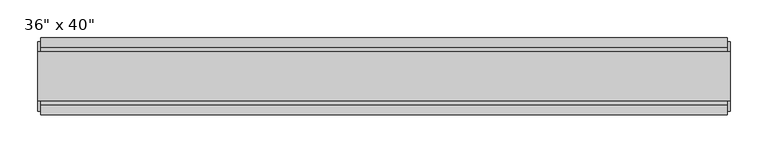
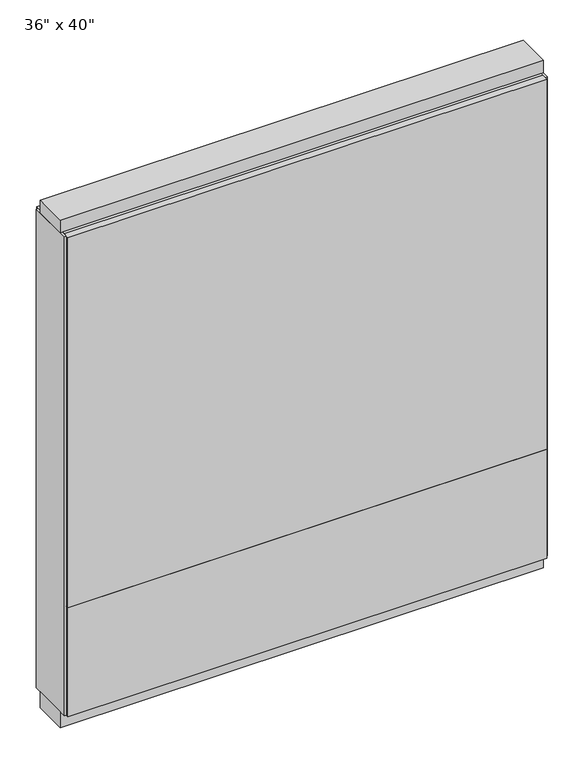
"""IFC4 building model written with IfcOpenShell, lengths in millimetres: furniture geometry."""

from ifc_helpers import new_model, si_unit, frame, origin, origin_with_axes, place, context, project, spatial, polyline, outline, extrude, source, transform, mapped, element, save


def furniture_597eaf44(model_context):
    return source(origin(), model_context, "Body", "SweptSolid", [
        extrude(outline(polyline([(393.2264771, 46.2822784), (393.2264771, 33.5822784), (-513.2995229, 33.5822784), (-513.2995229, 46.2822784), (393.2264771, 46.2822784)])), frame((0.0, 0.0, 249.936), z_axis=(0.0, 0.0, 1.0), x_axis=(1.0, 0.0, 0.0)), (0.0, 0.0, 1.0), 740.664),
        extrude(outline(polyline([(393.2264771, -55.3177216), (-513.2995229, -55.3177216), (-513.2995229, -42.6177216), (393.2264771, -42.6177216), (393.2264771, -55.3177216)])), frame((0.0, 0.0, 249.936), z_axis=(0.0, 0.0, 1.0), x_axis=(1.0, 0.0, 0.0)), (0.0, 0.0, 1.0), 740.664),
        extrude(outline(polyline([(393.2264771, 46.2822784), (393.2264771, 33.5822784), (-513.2995229, 33.5822784), (-513.2995229, 46.2822784), (393.2264771, 46.2822784)])), frame((0.0, 0.0, 31.75), z_axis=(0.0, 0.0, 1.0), x_axis=(1.0, 0.0, 0.0)), (0.0, 0.0, 1.0), 218.186),
        extrude(outline(polyline([(393.2264771, -55.3177216), (-513.2995229, -55.3177216), (-513.2995229, -42.6177216), (393.2264771, -42.6177216), (393.2264771, -55.3177216)])), frame((0.0, 0.0, 31.75), z_axis=(0.0, 0.0, 1.0), x_axis=(1.0, 0.0, 0.0)), (0.0, 0.0, 1.0), 218.186),
        extrude(outline(polyline([(-42.6177216, 954.278), (-42.6177216, 990.6), (33.5822784, 990.6), (33.5822784, 954.278), (28.6292784, 954.278), (28.6292784, 949.325), (-37.6647216, 949.325), (-37.6647216, 954.278), (-42.6177216, 954.278)])), frame((-513.2995229, 0.0, 0.0), z_axis=(1.0, 0.0, 0.0), x_axis=(0.0, 1.0, 0.0)), (0.0, 0.0, 1.0), 906.526),
        extrude(outline(polyline([(397.1634771, 27.9942784), (397.1634771, -37.0297216), (-517.2365229, -37.0297216), (-517.2365229, 27.9942784), (397.1634771, 27.9942784)])), origin_with_axes(), (0.0, 0.0, 1.0), 31.75),
        extrude(outline(polyline([(-517.2365229, -37.0297216), (-517.2365229, 27.9942784), (397.1634771, 27.9942784), (397.1634771, -37.0297216), (-517.2365229, -37.0297216)])), frame((0.0, 0.0, 990.6), z_axis=(0.0, 0.0, 1.0), x_axis=(1.0, 0.0, 0.0)), (0.0, 0.0, 1.0), 25.4),
        extrude(outline(polyline([(397.1634771, -50.3647216), (393.2264771, -50.3647216), (393.2264771, 41.3292784), (397.1634771, 41.3292784), (397.1634771, -50.3647216)])), frame((0.0, 0.0, 31.75), z_axis=(0.0, 0.0, 1.0), x_axis=(1.0, 0.0, 0.0)), (0.0, 0.0, 1.0), 958.85),
        extrude(outline(polyline([(-517.2365229, -50.3647216), (-517.2365229, 41.3292784), (-513.2995229, 41.3292784), (-513.2995229, -50.3647216), (-517.2365229, -50.3647216)])), frame((0.0, 0.0, 31.75), z_axis=(0.0, 0.0, 1.0), x_axis=(1.0, 0.0, 0.0)), (0.0, 0.0, 1.0), 958.85),
    ])


if __name__ == "__main__":
    model = new_model("IFC4")
    model_context = context("Model", 3, world=origin())
    ifc_project = project(units=[si_unit("LENGTHUNIT", "METRE", prefix="MILLI")], contexts=[model_context])
    site = spatial("IfcSite", under=ifc_project)
    building = spatial("IfcBuilding", under=site)
    placement = place(None, origin())
    furniture_shape = furniture_597eaf44(model_context)
    element("IfcFurniture", 1, ObjectType="36\" x 40\"", at=placement, inside=building, context=model_context, shape_type="MappedRepresentation", body=[
        mapped(furniture_shape, transform((0.0, 0.0, 0.0), x_axis=(1.0, 0.0, 0.0), y_axis=(0.0, 1.0, 0.0), z_axis=(0.0, 0.0, 1.0))),
    ])
    save(model, "model.ifc")
